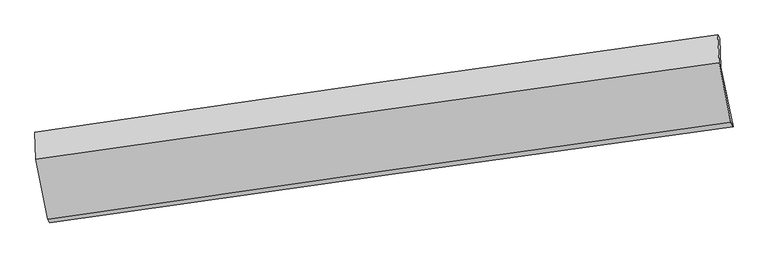
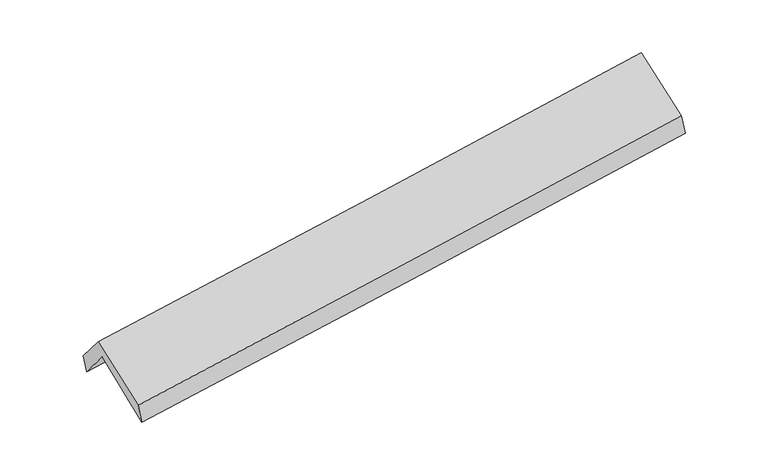
"""IFC4 building model written with IfcOpenShell, lengths in millimetres: proxy geometry."""

from ifc_helpers import new_model, si_unit, frame, origin, place, context, project, spatial, source, transform, mapped, element, save
from ifc_brep_helpers import plane_surface, spline_curve, spline_surface, advanced_brep


def generic_models_278d0fb7(model_context):
    return source(origin(), model_context, "Body", "AdvancedBrep", [
        advanced_brep(
        [(-2900.8375993, -2512.3021697, 1459.8519903), (-3004.1933168, -2005.0177601, 1884.7310852), (2943.6118779, -1159.6169916, 2381.6937895), (3049.3916143, -1678.7988275, 1946.8499339), (-3014.2179443, -1751.289249, 1579.3533389), (2934.0260221, -908.9326959, 2076.0216254), (-3030.665949, -1723.5457296, 1736.7571938), (2915.1052062, -877.8764603, 2258.5441707), (-3021.2141934, -1962.7745584, 2024.6836876), (2928.3303412, -1121.6464747, 2507.2701142), (-2918.5422867, -2481.6698479, 1627.9787119), (3030.373574, -1639.9022025, 2117.2945753)],
        [
            (0, 1),
            (1, 2, spline_curve(3, [(-3004.1933168, -2005.0177601, 1884.7310852), (-2012.707713439, -1865.343790931, 1967.303680521), (-1021.313051516, -1725.05653766, 2050.003656409), (961.288679205, -1443.256274098, 2215.657892805), (1952.495748503, -1301.743271345, 2298.612151541), (2943.6118779, -1159.6169916, 2381.6937895)], [4, 2, 4], [0.0, 9.888605806556045, 19.777154642762326])),
            (2, 3),
            (3, 0, spline_curve(3, [(3049.3916143, -1678.7988275, 1946.8499339), (2058.087254728, -1815.996266215, 1857.755294193), (1066.584069482, -1954.053394686, 1772.624917891), (-916.82566612, -2231.887832448, 1610.292224292), (-1908.732218671, -2371.665151189, 1533.089952697), (-2900.8375993, -2512.3021697, 1459.8519903)], [4, 2, 4], [0.0, 9.888548836206281, 19.777154642762326])),
            (1, 4),
            (4, 5, spline_curve(3, [(-3014.2179443, -1751.289249, 1579.3533389), (-2022.069698475, -1611.307949939, 1653.169742354), (-1030.30715187, -1471.120718116, 1731.467099836), (952.440832739, -1190.335197919, 1897.023247261), (1943.426274587, -1049.736912026, 1984.281984811), (2934.0260221, -908.9326959, 2076.0216254)], [4, 2, 4], [0.0, 9.888671000740224, 19.777285030755085])),
            (5, 2),
            (4, 6),
            (6, 7, spline_curve(3, [(-3030.665949, -1723.5457296, 1736.7571938), (-2040.705463089, -1578.9552841, 1829.952724014), (-1050.242861803, -1436.187424419, 1920.032853237), (931.680862446, -1154.297689197, 2093.961809941), (1923.14197958, -1015.175792119, 2177.810672714), (2915.1052062, -877.8764603, 2258.5441707)], [4, 2, 4], [0.0, 9.888729363111125, 19.77740175516065])),
            (7, 5),
            (6, 8),
            (8, 9, spline_curve(3, [(-3021.2141934, -1962.7745584, 2024.6836876), (-2029.367015857, -1820.454707748, 2098.27892396), (-1037.646621509, -1679.200576963, 2175.292203247), (945.534888528, -1398.824561092, 2336.154384771), (1936.996005596, -1259.702664394, 2420.003247645), (2928.3303412, -1121.6464747, 2507.2701142)], [4, 2, 4], [0.0, 9.888677726719255, 19.777298482674396])),
            (9, 7),
            (8, 10),
            (10, 11, spline_curve(3, [(-2918.5422867, -2481.6698479, 1627.9787119), (-1927.009446351, -2339.030216384, 1704.938669584), (-935.498609828, -2197.56289788, 1784.195094674), (1047.473343251, -1916.973696389, 1947.300408882), (2038.934460358, -1777.851799497, 2031.149271936), (3030.373574, -1639.9022025, 2117.2945753)], [4, 2, 4], [0.0, 9.888634844594845, 19.777212718672633])),
            (11, 9),
            (10, 0),
            (3, 11),
        ],
        [
            spline_surface(3, 3, [[(-2900.8375993, -2512.3021697, 1459.8519903), (-1908.732218678, -2371.66515112, 1533.089952803), (-916.82566611, -2231.887832314, 1610.292224315), (1066.584069472, -1954.05339482, 1772.624917867), (2058.087254759, -1815.996266226, 1857.755294207), (3049.3916143, -1678.7988275, 1946.8499339)], [(-2935.28950512, -2343.207366515, 1601.478355291), (-1943.390716938, -2202.891364384, 1677.827862051), (-951.654794541, -2062.944067372, 1756.862701714), (1031.485606013, -1783.787687959, 1920.302576161), (2022.890086029, -1644.578601311, 2004.707579982), (3014.131702154, -1505.738215532, 2091.797885785)], [(-2969.74141098, -2174.112563285, 1743.104720209), (-1978.049215239, -2034.117577605, 1822.565771228), (-986.483922974, -1894.000302446, 1903.43317909), (996.387142553, -1613.521981115, 2067.980234432), (1987.692917336, -1473.160936401, 2151.659865701), (2978.871790046, -1332.677603568, 2236.745837615)], [(-3004.1933168, -2005.0177601, 1884.7310852), (-2012.707713499, -1865.343790869, 1967.303680476), (-1021.313051405, -1725.056537504, 2050.003656489), (961.288679094, -1443.256274254, 2215.657892725), (1952.495748607, -1301.743271486, 2298.612151476), (2943.6118779, -1159.6169916, 2381.6937895)]], [4, 4], [4, 2, 4], [0.0, 2.2365211542462777], [0.0, 9.888605806556045, 19.777154642762326]),
            spline_surface(3, 3, [[(-3004.1933168, -2005.0177601, 1884.7310852), (-2012.707713499, -1865.343790869, 1967.303680476), (-1021.313051405, -1725.056537504, 2050.003656489), (961.288679094, -1443.256274254, 2215.657892725), (1952.495748607, -1301.743271486, 2298.612151476), (2943.6118779, -1159.6169916, 2381.6937895)], [(-3007.5348593, -1920.441589745, 1782.938503086), (-2015.828375186, -1780.665177207, 1862.592367732), (-1024.31108483, -1640.411264361, 1943.824804315), (958.339396952, -1358.949248831, 2109.446344187), (1949.472590618, -1217.741151698, 2193.835429282), (2940.416592646, -1076.05555971, 2279.80306813)], [(-3010.8764018, -1835.865419355, 1681.145921014), (-2018.949036873, -1695.986563509, 1757.881055029), (-1027.309118315, -1555.765991206, 1837.645952151), (955.390114751, -1274.642223395, 2003.234795658), (1946.449432591, -1133.739031881, 2089.058707098), (2937.221307354, -992.49412779, 2177.91234677)], [(-3014.2179443, -1751.289249, 1579.3533389), (-2022.069698561, -1611.307949847, 1653.169742285), (-1030.30715174, -1471.120718063, 1731.467099977), (952.440832608, -1190.335197971, 1897.02324712), (1943.426274602, -1049.736912093, 1984.281984904), (2934.0260221, -908.9326959, 2076.0216254)]], [4, 4], [4, 2, 4], [0.0, 1.3359197676971244], [0.0, 9.888671000740224, 19.777285030755085]),
            spline_surface(3, 3, [[(-3014.2179443, -1751.289249, 1579.3533389), (-2022.069698561, -1611.307949847, 1653.169742285), (-1030.30715174, -1471.120718063, 1731.467099977), (952.440832608, -1190.335197971, 1897.02324712), (1943.426274602, -1049.736912093, 1984.281984904), (2934.0260221, -908.9326959, 2076.0216254)], [(-3019.700612549, -1742.041409197, 1631.821290522), (-2028.281620073, -1600.523727924, 1712.097402842), (-1036.952388428, -1459.47628687, 1794.322351117), (945.520842536, -1178.322694992, 1962.669434684), (1936.664842911, -1038.216538808, 2048.791547484), (2927.719083467, -898.580617367, 2136.862473822)], [(-3025.183280751, -1732.793569403, 1684.289242178), (-2034.493541538, -1589.739506011, 1771.025063432), (-1043.597625088, -1447.831855725, 1857.177602241), (938.600852491, -1166.310192063, 2028.315622232), (1929.903411218, -1026.696165522, 2113.3011101), (2921.412144833, -888.228538833, 2197.703322278)], [(-3030.665949, -1723.5457296, 1736.7571938), (-2040.705463051, -1578.955284089, 1829.952723989), (-1050.242861776, -1436.187424532, 1920.032853382), (931.680862419, -1154.297689084, 2093.961809796), (1923.141979526, -1015.175792238, 2177.810672681), (2915.1052062, -877.8764603, 2258.5441707)]], [4, 4], [4, 2, 4], [0.0, 0.6464722736845634], [0.0, 9.888729363111125, 19.77740175516065]),
            spline_surface(3, 3, [[(-3030.665949, -1723.5457296, 1736.7571938), (-2040.705463051, -1578.955284089, 1829.952723989), (-1050.242861776, -1436.187424532, 1920.032853382), (931.680862419, -1154.297689084, 2093.961809796), (1923.141979526, -1015.175792238, 2177.810672681), (2915.1052062, -877.8764603, 2258.5441707)], [(-3027.515363773, -1803.288672519, 1832.732691757), (-2036.92598066, -1659.455092012, 1919.394790616), (-1046.044115012, -1517.191808639, 2005.119303304), (936.29887114, -1235.806646469, 2174.692668108), (1927.759988247, -1096.684749623, 2258.541530992), (2919.513584546, -959.133131773, 2341.452818544)], [(-3024.364778627, -1883.031615481, 1928.708189643), (-2033.14649835, -1739.954899977, 2008.836857172), (-1041.845368288, -1598.196192727, 2090.205753296), (940.916879822, -1317.315603835, 2255.423526489), (1932.377996929, -1178.193706989, 2339.272389273), (2923.921962854, -1040.389803227, 2424.361466356)], [(-3021.2141934, -1962.7745584, 2024.6836876), (-2029.36701596, -1820.4547079, 2098.278923799), (-1037.646621524, -1679.200576835, 2175.292203218), (945.534888544, -1398.82456122, 2336.1543848), (1936.996005651, -1259.702664374, 2420.003247585), (2928.3303412, -1121.6464747, 2507.2701142)]], [4, 4], [4, 2, 4], [0.0, 1.1434249220158406], [0.0, 9.888677726719255, 19.777298482674396]),
            spline_surface(3, 3, [[(-3021.2141934, -1962.7745584, 2024.6836876), (-2029.36701596, -1820.4547079, 2098.278923799), (-1037.646621524, -1679.200576835, 2175.292203218), (945.534888544, -1398.82456122, 2336.1543848), (1936.996005651, -1259.702664374, 2420.003247585), (2928.3303412, -1121.6464747, 2507.2701142)], [(-2986.990224507, -2135.739654907, 1892.4486957), (-1995.247826145, -1993.313210689, 1967.165505766), (-1003.59728436, -1851.988017213, 2044.926500378), (979.514373458, -1571.540939598, 2206.536392846), (1970.975490566, -1432.419042751, 2290.385255631), (2962.344752139, -1294.398383976, 2377.27826788)], [(-2952.766255593, -2308.704751393, 1760.2137038), (-1961.128636308, -2166.171713457, 1836.052087732), (-969.547947113, -2024.775457565, 1914.560797499), (1013.493858457, -1744.257317948, 2076.918400852), (2004.954975464, -1605.135421102, 2160.767263736), (2996.359163061, -1467.150293224, 2247.28642162)], [(-2918.5422867, -2481.6698479, 1627.9787119), (-1927.009446493, -2339.030216246, 1704.938669699), (-935.498609949, -2197.562897944, 1784.195094659), (1047.473343372, -1916.973696326, 1947.300408898), (2038.934460379, -1777.85179948, 2031.149271782), (3030.373574, -1639.9022025, 2117.2945753)]], [4, 4], [4, 2, 4], [0.0, 2.154097515969185], [0.0, 9.888634844594845, 19.777212718672633]),
            spline_surface(3, 3, [[(-2918.5422867, -2481.6698479, 1627.9787119), (-1927.009446493, -2339.030216246, 1704.938669699), (-935.498609949, -2197.562897944, 1784.195094659), (1047.473343372, -1916.973696326, 1947.300408898), (2038.934460379, -1777.85179948, 2031.149271782), (3030.373574, -1639.9022025, 2117.2945753)], [(-2912.64072425, -2491.880621817, 1571.936471344), (-1920.917037238, -2349.908527855, 1647.655764044), (-929.274295332, -2209.004542736, 1726.227471211), (1053.843585409, -1929.333595826, 1889.075245221), (2045.318725153, -1790.566621704, 1973.351279263), (3036.712920748, -1652.867744143, 2060.479694839)], [(-2906.73916175, -2502.091395783, 1515.894230856), (-1914.824627932, -2360.786839511, 1590.372858458), (-923.049980727, -2220.446187522, 1668.259847762), (1060.213827434, -1941.693495319, 1830.850081544), (2051.702989985, -1803.281444001, 1915.553286726), (3043.052267552, -1665.833285857, 2003.664814361)], [(-2900.8375993, -2512.3021697, 1459.8519903), (-1908.732218678, -2371.66515112, 1533.089952803), (-916.82566611, -2231.887832314, 1610.292224315), (1066.584069472, -1954.05339482, 1772.624917867), (2058.087254759, -1815.996266226, 1857.755294207), (3049.3916143, -1678.7988275, 1946.8499339)]], [4, 4], [4, 2, 4], [0.0, 0.5869703513011737], [0.0, 9.88861866666867, 19.777180362913484]),
            plane_surface(frame((2966.8064393, -1231.1289421, 2214.6123682), z_axis=(0.9876978599290145, 0.1346736766506302, 0.07947287782034015), x_axis=(0.15541892144353786, -0.7893394204415851, -0.5939597950991886))),
            plane_surface(frame((-2981.6118816, -2072.7665525, 1718.892668), z_axis=(-0.9876978599291395, -0.1346736766461122, -0.07947287782644089), x_axis=(-0.10304856096286506, 0.17829270934391067, 0.978566657861533))),
        ],
        [
            (0, [[1, 2, 3, 4]]),
            (1, [[5, 6, 7, -2]]),
            (2, [[8, 9, 10, -6]]),
            (3, [[11, 12, 13, -9]]),
            (4, [[14, 15, 16, -12]]),
            (5, [[17, -4, 18, -15]]),
            (6, [[-16, -18, -3, -7, -10, -13]]),
            (7, [[-17, -14, -11, -8, -5, -1]]),
        ],
    ),
    ])


if __name__ == "__main__":
    model = new_model("IFC4")
    model_context = context("Model", 3, world=origin())
    ifc_project = project(units=[si_unit("LENGTHUNIT", "METRE", prefix="MILLI")], contexts=[model_context])
    site = spatial("IfcSite", under=ifc_project)
    building = spatial("IfcBuilding", under=site)
    placement = place(None, origin())
    generic_models_shape = generic_models_278d0fb7(model_context)
    element("IfcBuildingElementProxy", 1, Name="Generic Models", at=placement, inside=building, context=model_context, shape_type="MappedRepresentation", body=[
        mapped(generic_models_shape, transform((0.0, 0.0, 0.0), x_axis=(1.0, 0.0, 0.0), y_axis=(0.0, 1.0, 0.0), z_axis=(0.0, 0.0, 1.0))),
    ])
    save(model, "model.ifc")
